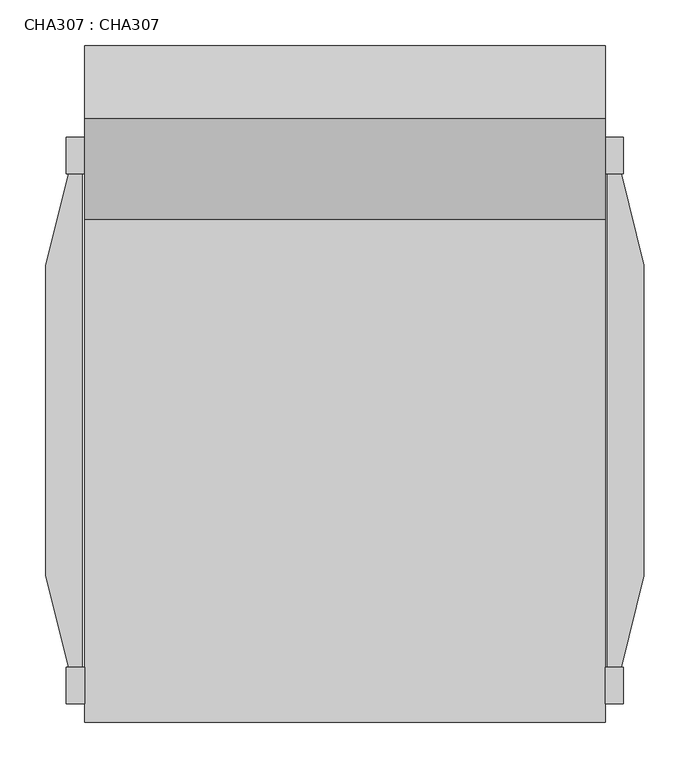
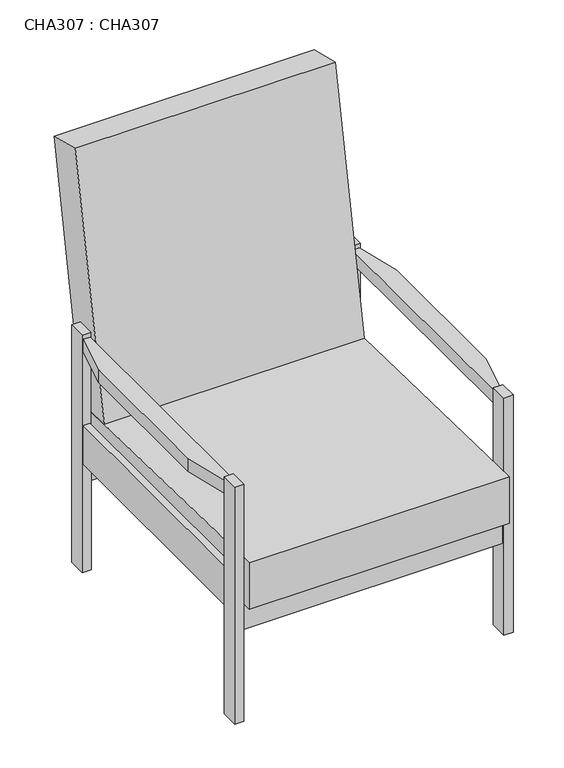
"""IFC4 building model written with IfcOpenShell, lengths in millimetres: proxy geometry, CHA307 : CHA307."""

from ifc_helpers import new_model, si_unit, point, frame, frame_2d, origin, origin_with_axes, place, context, project, spatial, polyline, circle_curve, trimmed, segment, composite_curve, outline, extrude, source, transform, mapped, element, save


def cha307_cha307_158149bc(model_context):
    return source(origin(), model_context, "Body", "SweptSolid", [
        extrude(outline(composite_curve([segment(trimmed(circle_curve(frame_2d((-7373.6354215, 2041.8900139)), 7376.4001466), [point((-189.9009412, 367.0055284))], [point((-80.0000042, 940.0000362))], True, "CARTESIAN"), True, "CONTINUOUS"), segment(polyline([(-80.0000042, 940.0000362), (0.0, 920.0000216)]), True, "CONTINUOUS"), segment(trimmed(circle_curve(frame_2d((-10566.9495019, 2631.7201748)), 10704.6909184), [point((0.0, 920.0000216))], [point((-105.0000044, 364.9999955))], False, "CARTESIAN"), True, "CONTINUOUS"), segment(polyline([(-105.0000044, 364.9999955), (-189.9009412, 367.0055284)]), True, "CONTINUOUS")], self_intersect=False)), frame((45.0000013, 0.0, 0.0), z_axis=(1.0, 0.0, 0.0), x_axis=(0.0, 1.0, 0.0)), (0.0, 0.0, 1.0), 570.0000325),
        extrude(outline(polyline([(-740.0000347, 272.0673124), (-740.0000347, 379.9999884), (-105.0000044, 364.9999955), (-105.0000044, 264.9999948), (-740.0000347, 272.0673124)])), frame((45.0000013, 0.0, 0.0), z_axis=(1.0, 0.0, 0.0), x_axis=(0.0, 1.0, 0.0)), (0.0, 0.0, 1.0), 570.0000325),
        extrude(outline(polyline([(42.4999994, -679.9999907), (27.4999998, -679.9999907), (27.4999998, -100.0000008), (42.4999994, -100.0000008), (42.4999994, -679.9999907)])), frame((0.0, 0.0, 250.0000019), z_axis=(0.0, 0.0, 1.0), x_axis=(1.0, 0.0, 0.0)), (0.0, 0.0, 1.0), 89.9999934),
        extrude(outline(polyline([(632.499983, -679.9999907), (617.5000265, -679.9999907), (617.5000265, -100.0000008), (632.499983, -100.0000008), (632.499983, -679.9999907)])), frame((0.0, 0.0, 250.0000019), z_axis=(0.0, 0.0, 1.0), x_axis=(1.0, 0.0, 0.0)), (0.0, 0.0, 1.0), 89.9999934),
        extrude(outline(polyline([(615.0000338, -105.0000044), (615.0000338, -125.000001), (45.0000013, -125.000001), (45.0000013, -105.0000044), (615.0000338, -105.0000044)])), frame((0.0, 0.0, 194.9999979), z_axis=(0.0, 0.0, 1.0), x_axis=(1.0, 0.0, 0.0)), (0.0, 0.0, 1.0), 69.9999969),
        extrude(outline(polyline([(615.0000338, -695.0000198), (615.0000338, -715.0000345), (45.0000013, -715.0000345), (45.0000013, -695.0000198), (615.0000338, -695.0000198)])), frame((0.0, 0.0, 210.0000089), z_axis=(0.0, 0.0, 1.0), x_axis=(1.0, 0.0, 0.0)), (0.0, 0.0, 1.0), 69.9999969),
        extrude(outline(polyline([(27.4999998, -679.9999907), (2.5000001, -579.9999899), (2.5000001, -239.9999946), (27.4999998, -140.0000029), (42.4999994, -140.0000029), (42.4999994, -679.9999907), (27.4999998, -679.9999907)])), frame((0.0, 0.0, 510.0000112), z_axis=(0.0, 0.0, 1.0), x_axis=(1.0, 0.0, 0.0)), (0.0, 0.0, 1.0), 29.9999857),
        extrude(outline(polyline([(657.4999832, -239.9999946), (657.4999832, -579.9999899), (632.499983, -679.9999907), (617.5000265, -679.9999907), (617.5000265, -140.0000029), (632.499983, -140.0000029), (657.4999832, -239.9999946)])), frame((0.0, 0.0, 510.0000112), z_axis=(0.0, 0.0, 1.0), x_axis=(1.0, 0.0, 0.0)), (0.0, 0.0, 1.0), 29.9999857),
        extrude(outline(polyline([(45.0000013, -100.0000008), (45.0000013, -140.0000029), (25.0000002, -140.0000029), (25.0000002, -100.0000008), (45.0000013, -100.0000008)])), origin_with_axes(), (0.0, 0.0, 1.0), 550.0000042),
        extrude(outline(polyline([(615.0000338, -140.0000029), (615.0000338, -100.0000008), (634.9999758, -100.0000008), (634.9999758, -140.0000029), (615.0000338, -140.0000029)])), origin_with_axes(), (0.0, 0.0, 1.0), 550.0000042),
        extrude(outline(polyline([(634.9999758, -679.9999907), (634.9999758, -720.00002), (615.0000338, -720.00002), (615.0000338, -679.9999907), (634.9999758, -679.9999907)])), origin_with_axes(), (0.0, 0.0, 1.0), 550.0000042),
        extrude(outline(polyline([(25.0000002, -679.9999907), (45.0000013, -679.9999907), (45.0000013, -720.00002), (25.0000002, -720.00002), (25.0000002, -679.9999907)])), origin_with_axes(), (0.0, 0.0, 1.0), 550.0000042),
    ])


if __name__ == "__main__":
    model = new_model("IFC4")
    model_context = context("Model", 3, world=origin())
    ifc_project = project(units=[si_unit("LENGTHUNIT", "METRE", prefix="MILLI")], contexts=[model_context])
    site = spatial("IfcSite", under=ifc_project)
    building = spatial("IfcBuilding", under=site)
    placement = place(None, origin())
    cha307_cha307_shape = cha307_cha307_158149bc(model_context)
    element("IfcBuildingElementProxy", 1, Name="CHA307 : CHA307", ObjectType="CHA307 : CHA307", at=placement, inside=building, context=model_context, shape_type="MappedRepresentation", body=[
        mapped(cha307_cha307_shape, transform((0.0, 0.0, 0.0), x_axis=(1.0, 0.0, 0.0), y_axis=(0.0, 1.0, 0.0), z_axis=(0.0, 0.0, 1.0))),
    ])
    save(model, "model.ifc")
